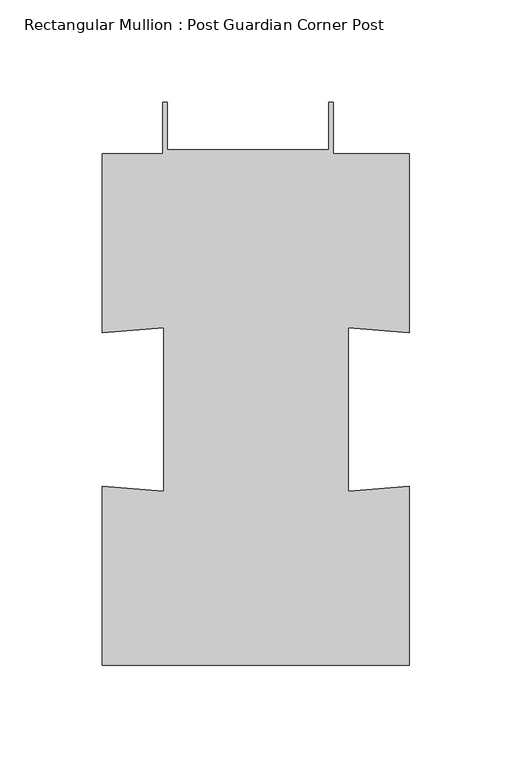
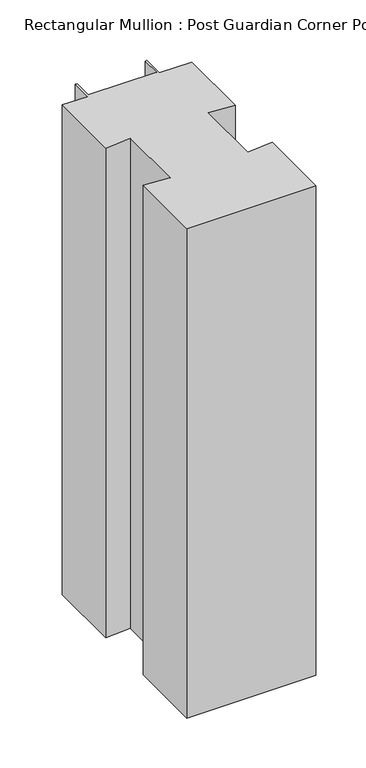
"""IFC4 building model written with IfcOpenShell, lengths in millimetres: member geometry, Rectangular Mullion : Post Guardian Corner Post."""

from ifc_helpers import new_model, si_unit, frame, origin, place, context, project, spatial, polyline, outline, extrude, source, transform, mapped, element, save


def rectangular_mullion_post_guardian_corner_post_696aa0c6(model_context):
    return source(origin(), model_context, "Body", "SweptSolid", [
        extrude(outline(polyline([(-120.2685508, 124.845), (-120.2685508, 149.845), (-118.2685508, 149.845), (-118.2685508, 126.845), (-39.2685508, 126.845), (-39.2685508, 149.845), (-37.2685508, 149.845), (-37.2685508, 124.845), (0.0, 124.845), (0.0, 37.4535), (-29.9628, 39.9504), (-29.9628, -39.9504), (0.0, -37.4535), (0.0, -124.845), (-149.814, -124.845), (-149.814, -37.4535), (-119.8512, -39.9504), (-119.8512, 39.9504), (-149.814, 37.4535), (-149.814, 124.845), (-120.2685508, 124.845)])), frame((0.0, 0.0, -600.0), z_axis=(0.0, 0.0, 1.0), x_axis=(1.0, 0.0, 0.0)), (0.0, 0.0, 1.0), 600.0),
    ])


if __name__ == "__main__":
    model = new_model("IFC4")
    model_context = context("Model", 3, world=origin())
    ifc_project = project(units=[si_unit("LENGTHUNIT", "METRE", prefix="MILLI")], contexts=[model_context])
    site = spatial("IfcSite", under=ifc_project)
    building = spatial("IfcBuilding", under=site)
    placement = place(None, origin())
    rectangular_mullion_post_guardian_corner_post_shape = rectangular_mullion_post_guardian_corner_post_696aa0c6(model_context)
    element("IfcMember", 1, ObjectType="Rectangular Mullion : Post Guardian Corner Post", at=placement, inside=building, context=model_context, shape_type="MappedRepresentation", body=[
        mapped(rectangular_mullion_post_guardian_corner_post_shape, transform((0.0, 0.0, 0.0), x_axis=(1.0, 0.0, 0.0), y_axis=(0.0, 1.0, 0.0), z_axis=(0.0, 0.0, 1.0))),
    ])
    save(model, "model.ifc")
